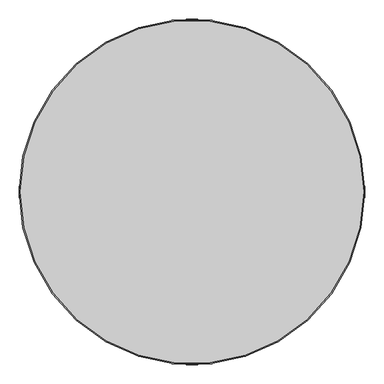
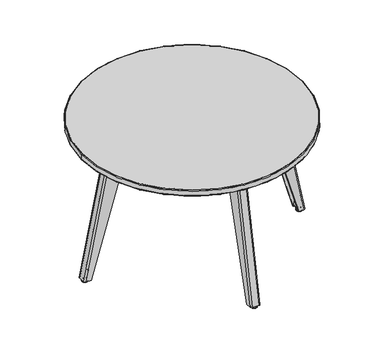
"""IFC4 building model written with IfcOpenShell, lengths in millimetres: furniture geometry."""

from ifc_helpers import new_model, si_unit, point, frame, frame_2d, origin, origin_2d, place, context, project, spatial, polyline, circle_curve, ellipse_curve, trimmed, segment, composite_curve, outline, extrude, source, transform, mapped, element, save
from ifc_brep_helpers import plane_surface, cylinder_surface, revolved_surface, extruded_surface, advanced_brep


def furniture_9483b368(model_context):
    return source(origin(), model_context, "Body", "SolidModel", [
        extrude(outline(composite_curve([segment(trimmed(circle_curve(frame_2d((-62.5, 361.0)), 10.0), [point((-72.5, 361.0))], [point((-62.5, 371.0))], False, "CARTESIAN"), True, "CONTINUOUS"), segment(polyline([(-62.5, 371.0), (62.5, 371.0)]), True, "CONTINUOUS"), segment(trimmed(circle_curve(frame_2d((62.5, 361.0)), 10.0), [point((62.5, 371.0))], [point((72.5, 361.0))], False, "CARTESIAN"), True, "CONTINUOUS"), segment(polyline([(72.5, 361.0), (72.5, 261.0)]), True, "CONTINUOUS"), segment(trimmed(circle_curve(frame_2d((62.5, 261.0)), 10.0), [point((72.5, 261.0))], [point((62.5, 251.0))], False, "CARTESIAN"), True, "CONTINUOUS"), segment(polyline([(62.5, 251.0), (40.6853513, 251.0)]), True, "CONTINUOUS"), segment(trimmed(circle_curve(frame_2d((40.6853513, 256.0)), 5.0), [point((40.6853513, 251.0))], [point((36.1538124, 253.8869087))], False, "CARTESIAN"), True, "CONTINUOUS"), segment(polyline([(36.1538124, 253.8869087), (31.8515728, 263.1130913)]), True, "CONTINUOUS"), segment(trimmed(circle_curve(frame_2d((27.3200338, 261.0)), 5.0), [point((31.8515728, 263.1130913))], [point((27.3200338, 266.0))], True, "CARTESIAN"), True, "CONTINUOUS"), segment(polyline([(27.3200338, 266.0), (-27.3200338, 266.0)]), True, "CONTINUOUS"), segment(trimmed(circle_curve(frame_2d((-27.3200338, 261.0)), 5.0), [point((-27.3200338, 266.0))], [point((-31.8515728, 263.1130913))], True, "CARTESIAN"), True, "CONTINUOUS"), segment(polyline([(-31.8515728, 263.1130913), (-36.1538124, 253.8869087)]), True, "CONTINUOUS"), segment(trimmed(circle_curve(frame_2d((-40.6853513, 256.0)), 5.0), [point((-36.1538124, 253.8869087))], [point((-40.6853513, 251.0))], False, "CARTESIAN"), True, "CONTINUOUS"), segment(polyline([(-40.6853513, 251.0), (-62.5, 251.0)]), True, "CONTINUOUS"), segment(trimmed(circle_curve(frame_2d((-62.5, 261.0)), 10.0), [point((-62.5, 251.0))], [point((-72.5, 261.0))], False, "CARTESIAN"), True, "CONTINUOUS"), segment(polyline([(-72.5, 261.0), (-72.5, 361.0)]), True, "CONTINUOUS")], self_intersect=False)), frame((0.0, 0.0, 521.0), z_axis=(0.0, 0.0, 1.0), x_axis=(1.0, 0.0, 0.0)), (0.0, 0.0, 1.0), 4.0),
        extrude(outline(composite_curve([segment(polyline([(442.0, 13.0), (425.0, 13.0)]), True, "CONTINUOUS"), segment(trimmed(circle_curve(frame_2d((425.0, 16.0)), 3.0), [point((425.0, 13.0))], [point((422.1022225, 16.7764571))], False, "CARTESIAN"), True, "CONTINUOUS"), segment(polyline([(422.1022225, 16.7764571), (432.4938034, 55.558365)]), True, "CONTINUOUS"), segment(trimmed(circle_curve(frame_2d((433.2182478, 55.3642507)), 0.75), [point((432.4938034, 55.558365))], [point((433.9426922, 55.1701365))], False, "CARTESIAN"), True, "CONTINUOUS"), segment(polyline([(433.9426922, 55.1701365), (423.5511113, 16.3882286)]), True, "CONTINUOUS"), segment(trimmed(circle_curve(frame_2d((425.0, 16.0)), 1.5), [point((423.5511113, 16.3882286))], [point((425.0, 14.5))], True, "CARTESIAN"), True, "CONTINUOUS"), segment(polyline([(425.0, 14.5), (442.0, 14.5), (442.0, 13.0)]), True, "CONTINUOUS")], self_intersect=False)), frame((-17.0, 0.0, 0.0), z_axis=(1.0, 0.0, 0.0), x_axis=(0.0, 1.0, 0.0)), (0.0, 0.0, 1.0), 34.0),
        advanced_brep(
        [(0.0, 425.5017785, 0.0), (0.0, 424.0017785, 1.5), (0.0, 447.9982215, 1.5), (0.0, 446.4982215, 0.0), (0.0, 436.0, 0.0), (0.0, 429.3374699, 9.0), (0.0, 436.0, 9.0), (0.0, 442.6625301, 9.0), (0.0, 428.7488432, 7.9951859), (0.0, 443.2511568, 7.9951859), (0.0, 424.0017785, 7.9951859), (0.0, 447.9982215, 7.9951859)],
        [
            (0, 1, circle_curve(frame((0.0, 425.5017785, 1.5), z_axis=(-1.0, 0.0, 0.0), x_axis=(0.0, -1.0, 0.0)), 1.5)),
            (1, 2, circle_curve(frame((0.0, 436.0, 1.5), z_axis=(0.0, 0.0, -1.0), x_axis=(0.0, 1.0, 0.0)), 11.9982215)),
            (2, 3, circle_curve(frame((0.0, 446.4982215, 1.5), z_axis=(-1.0, 0.0, 0.0), x_axis=(0.0, 1.0, 0.0)), 1.5)),
            (3, 0, circle_curve(frame((0.0, 436.0, 0.0), z_axis=(0.0, 0.0, 1.0), x_axis=(0.0, 1.0, 0.0)), 10.4982215)),
            (2, 1, circle_curve(frame((0.0, 436.0, 1.5), z_axis=(0.0, 0.0, -1.0), x_axis=(0.0, 1.0, 0.0)), 11.9982215)),
            (0, 3, circle_curve(frame((0.0, 436.0, 0.0), z_axis=(0.0, 0.0, 1.0), x_axis=(0.0, 1.0, 0.0)), 10.4982215)),
            (4, 0),
            (3, 4),
            (5, 6),
            (6, 7),
            (7, 5, circle_curve(frame((0.0, 436.0, 9.0), z_axis=(0.0, 0.0, 1.0), x_axis=(0.0, 1.0, 0.0)), 6.6625301)),
            (5, 7, circle_curve(frame((0.0, 436.0, 9.0), z_axis=(0.0, 0.0, 1.0), x_axis=(0.0, 1.0, 0.0)), 6.6625301)),
            (8, 5),
            (7, 9),
            (9, 8, circle_curve(frame((0.0, 436.0, 7.9951859), z_axis=(0.0, 0.0, 1.0), x_axis=(0.0, 1.0, 0.0)), 7.2511568)),
            (8, 9, circle_curve(frame((0.0, 436.0, 7.9951859), z_axis=(0.0, 0.0, 1.0), x_axis=(0.0, 1.0, 0.0)), 7.2511568)),
            (10, 8),
            (9, 11),
            (11, 10, circle_curve(frame((0.0, 436.0, 7.9951859), z_axis=(0.0, 0.0, 1.0), x_axis=(0.0, 1.0, 0.0)), 11.9982215)),
            (10, 11, circle_curve(frame((0.0, 436.0, 7.9951859), z_axis=(0.0, 0.0, 1.0), x_axis=(0.0, 1.0, 0.0)), 11.9982215)),
            (1, 10),
            (11, 2),
        ],
        [
            revolved_surface(trimmed(ellipse_curve(frame((0.0, 446.4982215, 1.5), z_axis=(-1.0, 0.0, 0.0), x_axis=(0.0, 1.0, 0.0)), 1.5, 1.5), [point((0.0, 447.9982215, 1.5))], [point((0.0, 446.4982215, 0.0))], True, "CARTESIAN"), (0.0, 436.0, 11.0821698), (0.0, 0.0, -1.0)),
            plane_surface(frame((0.0, 436.0, 0.0), z_axis=(0.0, 0.0, -1.0), x_axis=(0.0, 1.0, 0.0))),
            plane_surface(frame((0.0, 436.0, 9.0), z_axis=(0.0, 0.0, 1.0), x_axis=(0.0, 1.0, 0.0))),
            revolved_surface(polyline([(0.0, 442.6625301, 9.0), (0.0, 443.2511568, 7.9951859)]), (0.0, 436.0, 11.0821698), (0.0, 0.0, -1.0)),
            plane_surface(frame((0.0, 436.0, 7.9951859), z_axis=(0.0, 0.0, 1.0), x_axis=(0.0, 1.0, 0.0))),
            cylinder_surface(frame((0.0, 436.0, 11.0821698), z_axis=(0.0, 0.0, -1.0), x_axis=(0.0, 1.0, 0.0)), 11.9982215),
        ],
        [
            (0, [[1, 2, 3, 4]]),
            (0, [[-3, 5, -1, 6]]),
            (1, [[7, -4, 8]]),
            (1, [[-8, -6, -7]]),
            (2, [[9, 10, 11]]),
            (2, [[-10, -9, 12]]),
            (3, [[13, -11, 14, 15]]),
            (3, [[-14, -12, -13, 16]]),
            (4, [[17, -15, 18, 19]]),
            (4, [[-18, -16, -17, 20]]),
            (5, [[21, -19, 22, -2]]),
            (5, [[-22, -20, -21, -5]]),
        ],
    ),
        advanced_brep(
        [(-12.0, 348.0, 521.0), (-20.0, 340.0, 521.0), (-20.0, 272.0, 521.0), (-17.0, 272.0, 521.0), (-17.0, 340.0, 521.0), (-12.0, 345.0, 521.0), (12.0, 345.0, 521.0), (17.0, 340.0, 521.0), (17.0, 272.0, 521.0), (20.0, 272.0, 521.0), (20.0, 340.0, 521.0), (12.0, 348.0, 521.0), (-12.0, 450.0, 9.0), (12.0, 450.0, 9.0), (20.0, 442.0, 9.0), (20.0, 422.0, 9.0), (17.0, 422.0, 9.0), (17.0, 442.0, 9.0), (12.0, 447.0, 9.0), (-12.0, 447.0, 9.0), (-17.0, 442.0, 9.0), (-17.0, 422.0, 9.0), (-20.0, 422.0, 9.0), (-20.0, 442.0, 9.0)],
        [
            (0, 1, circle_curve(frame((-12.0, 340.0, 521.0), z_axis=(0.0, 0.0, 1.0), x_axis=(1.0, 0.0, 0.0)), 8.0)),
            (1, 2),
            (2, 3),
            (3, 4),
            (4, 5, circle_curve(frame((-12.0, 340.0, 521.0), z_axis=(0.0, 0.0, -1.0), x_axis=(1.0, 0.0, 0.0)), 5.0)),
            (5, 6),
            (6, 7, circle_curve(frame((12.0, 340.0, 521.0), z_axis=(0.0, 0.0, -1.0), x_axis=(1.0, 0.0, 0.0)), 5.0)),
            (7, 8),
            (8, 9),
            (9, 10),
            (10, 11, circle_curve(frame((12.0, 340.0, 521.0), z_axis=(0.0, 0.0, 1.0), x_axis=(1.0, 0.0, 0.0)), 8.0)),
            (11, 0),
            (12, 13),
            (13, 14, circle_curve(frame((12.0, 442.0, 9.0), z_axis=(0.0, 0.0, -1.0), x_axis=(1.0, 0.0, 0.0)), 8.0)),
            (14, 15),
            (15, 16),
            (16, 17),
            (17, 18, circle_curve(frame((12.0, 442.0, 9.0), z_axis=(0.0, 0.0, 1.0), x_axis=(1.0, 0.0, 0.0)), 5.0)),
            (18, 19),
            (19, 20, circle_curve(frame((-12.0, 442.0, 9.0), z_axis=(0.0, 0.0, 1.0), x_axis=(1.0, 0.0, 0.0)), 5.0)),
            (20, 21),
            (21, 22),
            (22, 23),
            (23, 12, circle_curve(frame((-12.0, 442.0, 9.0), z_axis=(0.0, 0.0, -1.0), x_axis=(1.0, 0.0, 0.0)), 8.0)),
            (12, 0),
            (11, 13),
            (10, 14),
            (9, 15),
            (8, 16),
            (7, 17),
            (6, 18),
            (5, 19),
            (4, 20),
            (3, 21),
            (2, 22),
            (1, 23),
        ],
        [
            plane_surface(frame((0.0, 319.5, 521.0), z_axis=(0.0, 0.0, 1.0), x_axis=(1.0, 0.0, 0.0))),
            plane_surface(frame((0.0, 437.5, 9.0), z_axis=(0.0, 0.0, -1.0), x_axis=(1.0, 0.0, 0.0))),
            plane_surface(frame((0.0, 450.0, 9.0), z_axis=(0.0, 0.980727743848363, 0.19537935521978728), x_axis=(1.0, 0.0, 0.0))),
            extruded_surface(trimmed(circle_curve(frame((12.0, 340.0, 521.0), z_axis=(0.0, 0.0, -1.0), x_axis=(1.0, 0.0, 0.0)), 8.0), [point((12.0, 348.0, 521.0))], [point((20.0, 340.0, 521.0))], True, "CARTESIAN"), (0.0, 102.0, -512.0), 522.0612990827801),
            plane_surface(frame((20.0, 432.0, 9.0), z_axis=(1.0, 0.0, 0.0), x_axis=(0.0, -1.0, 0.0))),
            plane_surface(frame((18.5, 422.0, 9.0), z_axis=(0.0, -0.9596634270848472, -0.2811513946537813), x_axis=(-1.0, 0.0, 0.0))),
            plane_surface(frame((17.0, 432.0, 9.0), z_axis=(-1.0, 0.0, 0.0), x_axis=(0.0, 1.0, 0.0))),
            extruded_surface(trimmed(circle_curve(frame((12.0, 340.0, 521.0), z_axis=(0.0, 0.0, 1.0), x_axis=(1.0, 0.0, 0.0)), 5.0), [point((17.0, 340.0, 521.0))], [point((12.0, 345.0, 521.0))], True, "CARTESIAN"), (0.0, 102.0, -512.0), 522.0612990827801),
            plane_surface(frame((0.0, 447.0, 9.0), z_axis=(0.0, -0.980727743848363, -0.19537935521978728), x_axis=(-1.0, 0.0, 0.0))),
            extruded_surface(trimmed(circle_curve(frame((-12.0, 340.0, 521.0), z_axis=(0.0, 0.0, 1.0), x_axis=(1.0, 0.0, 0.0)), 5.0), [point((-12.0, 345.0, 521.0))], [point((-17.0, 340.0, 521.0))], True, "CARTESIAN"), (0.0, 102.0, -512.0), 522.0612990827801),
            plane_surface(frame((-17.0, 432.0, 9.0), z_axis=(1.0, 0.0, 0.0), x_axis=(0.0, -1.0, 0.0))),
            plane_surface(frame((-18.5, 422.0, 9.0), z_axis=(0.0, -0.9596634270848472, -0.2811513946537813), x_axis=(-1.0, 0.0, 0.0))),
            plane_surface(frame((-20.0, 432.0, 9.0), z_axis=(-1.0, 0.0, 0.0), x_axis=(0.0, 1.0, 0.0))),
            extruded_surface(trimmed(circle_curve(frame((-12.0, 340.0, 521.0), z_axis=(0.0, 0.0, -1.0), x_axis=(1.0, 0.0, 0.0)), 8.0), [point((-20.0, 340.0, 521.0))], [point((-12.0, 348.0, 521.0))], True, "CARTESIAN"), (0.0, 102.0, -512.0), 522.0612990827801),
        ],
        [
            (0, [[1, 2, 3, 4, 5, 6, 7, 8, 9, 10, 11, 12]]),
            (1, [[13, 14, 15, 16, 17, 18, 19, 20, 21, 22, 23, 24]]),
            (2, [[25, -12, 26, -13]]),
            (3, [[-26, -11, 27, -14]]),
            (4, [[-27, -10, 28, -15]]),
            (5, [[-28, -9, 29, -16]]),
            (6, [[-29, -8, 30, -17]]),
            (7, [[-30, -7, 31, -18]]),
            (8, [[-31, -6, 32, -19]]),
            (9, [[-32, -5, 33, -20]]),
            (10, [[-33, -4, 34, -21]]),
            (11, [[-34, -3, 35, -22]]),
            (12, [[-35, -2, 36, -23]]),
            (13, [[-36, -1, -25, -24]]),
        ],
    ),
        extrude(outline(composite_curve([segment(trimmed(circle_curve(frame_2d((-361.0, -62.5)), 10.0), [point((-361.0, -72.5))], [point((-371.0, -62.5))], False, "CARTESIAN"), True, "CONTINUOUS"), segment(polyline([(-371.0, -62.5), (-371.0, 62.5)]), True, "CONTINUOUS"), segment(trimmed(circle_curve(frame_2d((-361.0, 62.5)), 10.0), [point((-371.0, 62.5))], [point((-361.0, 72.5))], False, "CARTESIAN"), True, "CONTINUOUS"), segment(polyline([(-361.0, 72.5), (-261.0, 72.5)]), True, "CONTINUOUS"), segment(trimmed(circle_curve(frame_2d((-261.0, 62.5)), 10.0), [point((-261.0, 72.5))], [point((-251.0, 62.5))], False, "CARTESIAN"), True, "CONTINUOUS"), segment(polyline([(-251.0, 62.5), (-251.0, 40.6853513)]), True, "CONTINUOUS"), segment(trimmed(circle_curve(frame_2d((-256.0, 40.6853513)), 5.0), [point((-251.0, 40.6853513))], [point((-253.8869087, 36.1538124))], False, "CARTESIAN"), True, "CONTINUOUS"), segment(polyline([(-253.8869087, 36.1538124), (-263.1130913, 31.8515728)]), True, "CONTINUOUS"), segment(trimmed(circle_curve(frame_2d((-261.0, 27.3200338)), 5.0), [point((-263.1130913, 31.8515728))], [point((-266.0, 27.3200338))], True, "CARTESIAN"), True, "CONTINUOUS"), segment(polyline([(-266.0, 27.3200338), (-266.0, -27.3200338)]), True, "CONTINUOUS"), segment(trimmed(circle_curve(frame_2d((-261.0, -27.3200338)), 5.0), [point((-266.0, -27.3200338))], [point((-263.1130913, -31.8515728))], True, "CARTESIAN"), True, "CONTINUOUS"), segment(polyline([(-263.1130913, -31.8515728), (-253.8869087, -36.1538124)]), True, "CONTINUOUS"), segment(trimmed(circle_curve(frame_2d((-256.0, -40.6853513)), 5.0), [point((-253.8869087, -36.1538124))], [point((-251.0, -40.6853513))], False, "CARTESIAN"), True, "CONTINUOUS"), segment(polyline([(-251.0, -40.6853513), (-251.0, -62.5)]), True, "CONTINUOUS"), segment(trimmed(circle_curve(frame_2d((-261.0, -62.5)), 10.0), [point((-251.0, -62.5))], [point((-261.0, -72.5))], False, "CARTESIAN"), True, "CONTINUOUS"), segment(polyline([(-261.0, -72.5), (-361.0, -72.5)]), True, "CONTINUOUS")], self_intersect=False)), frame((0.0, 0.0, 521.0), z_axis=(0.0, 0.0, 1.0), x_axis=(1.0, 0.0, 0.0)), (0.0, 0.0, 1.0), 4.0),
        extrude(outline(composite_curve([segment(polyline([(13.0, -442.0), (13.0, -425.0)]), True, "CONTINUOUS"), segment(trimmed(circle_curve(frame_2d((16.0, -425.0)), 3.0), [point((13.0, -425.0))], [point((16.7764571, -422.1022225))], False, "CARTESIAN"), True, "CONTINUOUS"), segment(polyline([(16.7764571, -422.1022225), (55.558365, -432.4938034)]), True, "CONTINUOUS"), segment(trimmed(circle_curve(frame_2d((55.3642507, -433.2182478)), 0.75), [point((55.558365, -432.4938034))], [point((55.1701365, -433.9426922))], False, "CARTESIAN"), True, "CONTINUOUS"), segment(polyline([(55.1701365, -433.9426922), (16.3882286, -423.5511113)]), True, "CONTINUOUS"), segment(trimmed(circle_curve(frame_2d((16.0, -425.0)), 1.5), [point((16.3882286, -423.5511113))], [point((14.5, -425.0))], True, "CARTESIAN"), True, "CONTINUOUS"), segment(polyline([(14.5, -425.0), (14.5, -442.0), (13.0, -442.0)]), True, "CONTINUOUS")], self_intersect=False)), frame((0.0, -17.0, 0.0), z_axis=(0.0, 1.0, 0.0), x_axis=(0.0, 0.0, 1.0)), (0.0, 0.0, 1.0), 34.0),
        advanced_brep(
        [(-425.5017785, 0.0, 0.0), (-424.0017785, 0.0, 1.5), (-447.9982215, 0.0, 1.5), (-446.4982215, 0.0, 0.0), (-436.0, 0.0, 0.0), (-429.3374699, 0.0, 9.0), (-436.0, 0.0, 9.0), (-442.6625301, 0.0, 9.0), (-428.7488432, 0.0, 7.9951859), (-443.2511568, 0.0, 7.9951859), (-424.0017785, 0.0, 7.9951859), (-447.9982215, 0.0, 7.9951859)],
        [
            (0, 1, circle_curve(frame((-425.5017785, 0.0, 1.5), z_axis=(0.0, -1.0, 0.0), x_axis=(1.0, 0.0, 0.0)), 1.5)),
            (1, 2, circle_curve(frame((-436.0, 0.0, 1.5), z_axis=(0.0, 0.0, -1.0), x_axis=(-1.0, 0.0, 0.0)), 11.9982215)),
            (2, 3, circle_curve(frame((-446.4982215, 0.0, 1.5), z_axis=(0.0, -1.0, 0.0), x_axis=(-1.0, 0.0, 0.0)), 1.5)),
            (3, 0, circle_curve(frame((-436.0, 0.0, 0.0), z_axis=(0.0, 0.0, 1.0), x_axis=(-1.0, 0.0, 0.0)), 10.4982215)),
            (2, 1, circle_curve(frame((-436.0, 0.0, 1.5), z_axis=(0.0, 0.0, -1.0), x_axis=(-1.0, 0.0, 0.0)), 11.9982215)),
            (0, 3, circle_curve(frame((-436.0, 0.0, 0.0), z_axis=(0.0, 0.0, 1.0), x_axis=(-1.0, 0.0, 0.0)), 10.4982215)),
            (4, 0),
            (3, 4),
            (5, 6),
            (6, 7),
            (7, 5, circle_curve(frame((-436.0, 0.0, 9.0), z_axis=(0.0, 0.0, 1.0), x_axis=(-1.0, 0.0, 0.0)), 6.6625301)),
            (5, 7, circle_curve(frame((-436.0, 0.0, 9.0), z_axis=(0.0, 0.0, 1.0), x_axis=(-1.0, 0.0, 0.0)), 6.6625301)),
            (8, 5),
            (7, 9),
            (9, 8, circle_curve(frame((-436.0, 0.0, 7.9951859), z_axis=(0.0, 0.0, 1.0), x_axis=(-1.0, 0.0, 0.0)), 7.2511568)),
            (8, 9, circle_curve(frame((-436.0, 0.0, 7.9951859), z_axis=(0.0, 0.0, 1.0), x_axis=(-1.0, 0.0, 0.0)), 7.2511568)),
            (10, 8),
            (9, 11),
            (11, 10, circle_curve(frame((-436.0, 0.0, 7.9951859), z_axis=(0.0, 0.0, 1.0), x_axis=(-1.0, 0.0, 0.0)), 11.9982215)),
            (10, 11, circle_curve(frame((-436.0, 0.0, 7.9951859), z_axis=(0.0, 0.0, 1.0), x_axis=(-1.0, 0.0, 0.0)), 11.9982215)),
            (1, 10),
            (11, 2),
        ],
        [
            revolved_surface(trimmed(ellipse_curve(frame((-446.4982215, 0.0, 1.5), z_axis=(0.0, -1.0, 0.0), x_axis=(-1.0, 0.0, 0.0)), 1.5, 1.5), [point((-447.9982215, 0.0, 1.5))], [point((-446.4982215, 0.0, 0.0))], True, "CARTESIAN"), (-436.0, 0.0, 11.0821698), (0.0, 0.0, -1.0)),
            plane_surface(frame((-436.0, 0.0, 0.0), z_axis=(0.0, 0.0, -1.0), x_axis=(-1.0, 0.0, 0.0))),
            plane_surface(frame((-436.0, 0.0, 9.0), z_axis=(0.0, 0.0, 1.0), x_axis=(-1.0, 0.0, 0.0))),
            revolved_surface(polyline([(-442.6625301, 0.0, 9.0), (-443.2511568, 0.0, 7.9951859)]), (-436.0, 0.0, 11.0821698), (0.0, 0.0, -1.0)),
            plane_surface(frame((-436.0, 0.0, 7.9951859), z_axis=(0.0, 0.0, 1.0), x_axis=(-1.0, 0.0, 0.0))),
            cylinder_surface(frame((-436.0, 0.0, 11.0821698), z_axis=(0.0, 0.0, -1.0), x_axis=(-1.0, 0.0, 0.0)), 11.9982215),
        ],
        [
            (0, [[1, 2, 3, 4]]),
            (0, [[-3, 5, -1, 6]]),
            (1, [[7, -4, 8]]),
            (1, [[-8, -6, -7]]),
            (2, [[9, 10, 11]]),
            (2, [[-10, -9, 12]]),
            (3, [[13, -11, 14, 15]]),
            (3, [[-14, -12, -13, 16]]),
            (4, [[17, -15, 18, 19]]),
            (4, [[-18, -16, -17, 20]]),
            (5, [[21, -19, 22, -2]]),
            (5, [[-22, -20, -21, -5]]),
        ],
    ),
        advanced_brep(
        [(-348.0, -12.0, 521.0), (-340.0, -20.0, 521.0), (-272.0, -20.0, 521.0), (-272.0, -17.0, 521.0), (-340.0, -17.0, 521.0), (-345.0, -12.0, 521.0), (-345.0, 12.0, 521.0), (-340.0, 17.0, 521.0), (-272.0, 17.0, 521.0), (-272.0, 20.0, 521.0), (-340.0, 20.0, 521.0), (-348.0, 12.0, 521.0), (-450.0, -12.0, 9.0), (-450.0, 12.0, 9.0), (-442.0, 20.0, 9.0), (-422.0, 20.0, 9.0), (-422.0, 17.0, 9.0), (-442.0, 17.0, 9.0), (-447.0, 12.0, 9.0), (-447.0, -12.0, 9.0), (-442.0, -17.0, 9.0), (-422.0, -17.0, 9.0), (-422.0, -20.0, 9.0), (-442.0, -20.0, 9.0)],
        [
            (0, 1, circle_curve(frame((-340.0, -12.0, 521.0), z_axis=(0.0, 0.0, 1.0), x_axis=(0.0, 1.0, 0.0)), 8.0)),
            (1, 2),
            (2, 3),
            (3, 4),
            (4, 5, circle_curve(frame((-340.0, -12.0, 521.0), z_axis=(0.0, 0.0, -1.0), x_axis=(0.0, 1.0, 0.0)), 5.0)),
            (5, 6),
            (6, 7, circle_curve(frame((-340.0, 12.0, 521.0), z_axis=(0.0, 0.0, -1.0), x_axis=(0.0, 1.0, 0.0)), 5.0)),
            (7, 8),
            (8, 9),
            (9, 10),
            (10, 11, circle_curve(frame((-340.0, 12.0, 521.0), z_axis=(0.0, 0.0, 1.0), x_axis=(0.0, 1.0, 0.0)), 8.0)),
            (11, 0),
            (12, 13),
            (13, 14, circle_curve(frame((-442.0, 12.0, 9.0), z_axis=(0.0, 0.0, -1.0), x_axis=(0.0, 1.0, 0.0)), 8.0)),
            (14, 15),
            (15, 16),
            (16, 17),
            (17, 18, circle_curve(frame((-442.0, 12.0, 9.0), z_axis=(0.0, 0.0, 1.0), x_axis=(0.0, 1.0, 0.0)), 5.0)),
            (18, 19),
            (19, 20, circle_curve(frame((-442.0, -12.0, 9.0), z_axis=(0.0, 0.0, 1.0), x_axis=(0.0, 1.0, 0.0)), 5.0)),
            (20, 21),
            (21, 22),
            (22, 23),
            (23, 12, circle_curve(frame((-442.0, -12.0, 9.0), z_axis=(0.0, 0.0, -1.0), x_axis=(0.0, 1.0, 0.0)), 8.0)),
            (12, 0),
            (11, 13),
            (10, 14),
            (9, 15),
            (8, 16),
            (7, 17),
            (6, 18),
            (5, 19),
            (4, 20),
            (3, 21),
            (2, 22),
            (1, 23),
        ],
        [
            plane_surface(frame((-319.5, 0.0, 521.0), z_axis=(0.0, 0.0, 1.0), x_axis=(0.0, 1.0, 0.0))),
            plane_surface(frame((-437.5, 0.0, 9.0), z_axis=(0.0, 0.0, -1.0), x_axis=(0.0, 1.0, 0.0))),
            plane_surface(frame((-450.0, 0.0, 9.0), z_axis=(-0.980727743848363, 0.0, 0.19537935521978728), x_axis=(0.0, 1.0, 0.0))),
            extruded_surface(trimmed(circle_curve(frame((-340.0, 12.0, 521.0), z_axis=(0.0, 0.0, -1.0), x_axis=(0.0, 1.0, 0.0)), 8.0), [point((-348.0, 12.0, 521.0))], [point((-340.0, 20.0, 521.0))], True, "CARTESIAN"), (-102.0, 0.0, -512.0), 522.0612990827801),
            plane_surface(frame((-432.0, 20.0, 9.0), z_axis=(0.0, 1.0, 0.0), x_axis=(1.0, 0.0, 0.0))),
            plane_surface(frame((-422.0, 18.5, 9.0), z_axis=(0.9596634270848472, 0.0, -0.2811513946537813), x_axis=(0.0, -1.0, 0.0))),
            plane_surface(frame((-432.0, 17.0, 9.0), z_axis=(0.0, -1.0, 0.0), x_axis=(-1.0, 0.0, 0.0))),
            extruded_surface(trimmed(circle_curve(frame((-340.0, 12.0, 521.0), z_axis=(0.0, 0.0, 1.0), x_axis=(0.0, 1.0, 0.0)), 5.0), [point((-340.0, 17.0, 521.0))], [point((-345.0, 12.0, 521.0))], True, "CARTESIAN"), (-102.0, 0.0, -512.0), 522.0612990827801),
            plane_surface(frame((-447.0, 0.0, 9.0), z_axis=(0.980727743848363, 0.0, -0.19537935521978728), x_axis=(0.0, -1.0, 0.0))),
            extruded_surface(trimmed(circle_curve(frame((-340.0, -12.0, 521.0), z_axis=(0.0, 0.0, 1.0), x_axis=(0.0, 1.0, 0.0)), 5.0), [point((-345.0, -12.0, 521.0))], [point((-340.0, -17.0, 521.0))], True, "CARTESIAN"), (-102.0, 0.0, -512.0), 522.0612990827801),
            plane_surface(frame((-432.0, -17.0, 9.0), z_axis=(0.0, 1.0, 0.0), x_axis=(1.0, 0.0, 0.0))),
            plane_surface(frame((-422.0, -18.5, 9.0), z_axis=(0.9596634270848472, 0.0, -0.2811513946537813), x_axis=(0.0, -1.0, 0.0))),
            plane_surface(frame((-432.0, -20.0, 9.0), z_axis=(0.0, -1.0, 0.0), x_axis=(-1.0, 0.0, 0.0))),
            extruded_surface(trimmed(circle_curve(frame((-340.0, -12.0, 521.0), z_axis=(0.0, 0.0, -1.0), x_axis=(0.0, 1.0, 0.0)), 8.0), [point((-340.0, -20.0, 521.0))], [point((-348.0, -12.0, 521.0))], True, "CARTESIAN"), (-102.0, 0.0, -512.0), 522.0612990827801),
        ],
        [
            (0, [[1, 2, 3, 4, 5, 6, 7, 8, 9, 10, 11, 12]]),
            (1, [[13, 14, 15, 16, 17, 18, 19, 20, 21, 22, 23, 24]]),
            (2, [[25, -12, 26, -13]]),
            (3, [[-26, -11, 27, -14]]),
            (4, [[-27, -10, 28, -15]]),
            (5, [[-28, -9, 29, -16]]),
            (6, [[-29, -8, 30, -17]]),
            (7, [[-30, -7, 31, -18]]),
            (8, [[-31, -6, 32, -19]]),
            (9, [[-32, -5, 33, -20]]),
            (10, [[-33, -4, 34, -21]]),
            (11, [[-34, -3, 35, -22]]),
            (12, [[-35, -2, 36, -23]]),
            (13, [[-36, -1, -25, -24]]),
        ],
    ),
        extrude(outline(composite_curve([segment(polyline([(361.0, -72.5), (261.0, -72.5)]), True, "CONTINUOUS"), segment(trimmed(circle_curve(frame_2d((261.0, -62.5)), 10.0), [point((261.0, -72.5))], [point((251.0, -62.5))], False, "CARTESIAN"), True, "CONTINUOUS"), segment(polyline([(251.0, -62.5), (251.0, -40.6853513)]), True, "CONTINUOUS"), segment(trimmed(circle_curve(frame_2d((256.0, -40.6853513)), 5.0), [point((251.0, -40.6853513))], [point((253.8869087, -36.1538124))], False, "CARTESIAN"), True, "CONTINUOUS"), segment(polyline([(253.8869087, -36.1538124), (263.1130913, -31.8515728)]), True, "CONTINUOUS"), segment(trimmed(circle_curve(frame_2d((261.0, -27.3200338)), 5.0), [point((263.1130913, -31.8515728))], [point((266.0, -27.3200338))], True, "CARTESIAN"), True, "CONTINUOUS"), segment(polyline([(266.0, -27.3200338), (266.0, 27.3200338)]), True, "CONTINUOUS"), segment(trimmed(circle_curve(frame_2d((261.0, 27.3200338)), 5.0), [point((266.0, 27.3200338))], [point((263.1130913, 31.8515728))], True, "CARTESIAN"), True, "CONTINUOUS"), segment(polyline([(263.1130913, 31.8515728), (253.8869087, 36.1538124)]), True, "CONTINUOUS"), segment(trimmed(circle_curve(frame_2d((256.0, 40.6853513)), 5.0), [point((253.8869087, 36.1538124))], [point((251.0, 40.6853513))], False, "CARTESIAN"), True, "CONTINUOUS"), segment(polyline([(251.0, 40.6853513), (251.0, 62.5)]), True, "CONTINUOUS"), segment(trimmed(circle_curve(frame_2d((261.0, 62.5)), 10.0), [point((251.0, 62.5))], [point((261.0, 72.5))], False, "CARTESIAN"), True, "CONTINUOUS"), segment(polyline([(261.0, 72.5), (361.0, 72.5)]), True, "CONTINUOUS"), segment(trimmed(circle_curve(frame_2d((361.0, 62.5)), 10.0), [point((361.0, 72.5))], [point((371.0, 62.5))], False, "CARTESIAN"), True, "CONTINUOUS"), segment(polyline([(371.0, 62.5), (371.0, -62.5)]), True, "CONTINUOUS"), segment(trimmed(circle_curve(frame_2d((361.0, -62.5)), 10.0), [point((371.0, -62.5))], [point((361.0, -72.5))], False, "CARTESIAN"), True, "CONTINUOUS")], self_intersect=False)), frame((0.0, 0.0, 521.0), z_axis=(0.0, 0.0, 1.0), x_axis=(1.0, 0.0, 0.0)), (0.0, 0.0, 1.0), 4.0),
        extrude(outline(composite_curve([segment(polyline([(13.0, 442.0), (14.5, 442.0), (14.5, 425.0)]), True, "CONTINUOUS"), segment(trimmed(circle_curve(frame_2d((16.0, 425.0)), 1.5), [point((14.5, 425.0))], [point((16.3882286, 423.5511113))], True, "CARTESIAN"), True, "CONTINUOUS"), segment(polyline([(16.3882286, 423.5511113), (55.1701365, 433.9426922)]), True, "CONTINUOUS"), segment(trimmed(circle_curve(frame_2d((55.3642507, 433.2182478)), 0.75), [point((55.1701365, 433.9426922))], [point((55.558365, 432.4938034))], False, "CARTESIAN"), True, "CONTINUOUS"), segment(polyline([(55.558365, 432.4938034), (16.7764571, 422.1022225)]), True, "CONTINUOUS"), segment(trimmed(circle_curve(frame_2d((16.0, 425.0)), 3.0), [point((16.7764571, 422.1022225))], [point((13.0, 425.0))], False, "CARTESIAN"), True, "CONTINUOUS"), segment(polyline([(13.0, 425.0), (13.0, 442.0)]), True, "CONTINUOUS")], self_intersect=False)), frame((0.0, -17.0, 0.0), z_axis=(0.0, 1.0, 0.0), x_axis=(0.0, 0.0, 1.0)), (0.0, 0.0, 1.0), 34.0),
        advanced_brep(
        [(425.5017785, 0.0, 0.0), (446.4982215, 0.0, 0.0), (447.9982215, 0.0, 1.5), (424.0017785, 0.0, 1.5), (436.0, 0.0, 0.0), (429.3374699, 0.0, 9.0), (442.6625301, 0.0, 9.0), (436.0, 0.0, 9.0), (428.7488432, 0.0, 7.9951859), (443.2511568, 0.0, 7.9951859), (424.0017785, 0.0, 7.9951859), (447.9982215, 0.0, 7.9951859)],
        [
            (0, 1, circle_curve(frame((436.0, 0.0, 0.0), z_axis=(0.0, 0.0, 1.0), x_axis=(1.0, 0.0, 0.0)), 10.4982215)),
            (1, 2, circle_curve(frame((446.4982215, 0.0, 1.5), z_axis=(0.0, -1.0, 0.0), x_axis=(1.0, 0.0, 0.0)), 1.5)),
            (2, 3, circle_curve(frame((436.0, 0.0, 1.5), z_axis=(0.0, 0.0, -1.0), x_axis=(1.0, 0.0, 0.0)), 11.9982215)),
            (3, 0, circle_curve(frame((425.5017785, 0.0, 1.5), z_axis=(0.0, -1.0, 0.0), x_axis=(-1.0, 0.0, 0.0)), 1.5)),
            (1, 0, circle_curve(frame((436.0, 0.0, 0.0), z_axis=(0.0, 0.0, 1.0), x_axis=(1.0, 0.0, 0.0)), 10.4982215)),
            (3, 2, circle_curve(frame((436.0, 0.0, 1.5), z_axis=(0.0, 0.0, -1.0), x_axis=(1.0, 0.0, 0.0)), 11.9982215)),
            (4, 1),
            (0, 4),
            (5, 6, circle_curve(frame((436.0, 0.0, 9.0), z_axis=(0.0, 0.0, 1.0), x_axis=(1.0, 0.0, 0.0)), 6.6625301)),
            (6, 7),
            (7, 5),
            (6, 5, circle_curve(frame((436.0, 0.0, 9.0), z_axis=(0.0, 0.0, 1.0), x_axis=(1.0, 0.0, 0.0)), 6.6625301)),
            (8, 9, circle_curve(frame((436.0, 0.0, 7.9951859), z_axis=(0.0, 0.0, 1.0), x_axis=(1.0, 0.0, 0.0)), 7.2511568)),
            (9, 6),
            (5, 8),
            (9, 8, circle_curve(frame((436.0, 0.0, 7.9951859), z_axis=(0.0, 0.0, 1.0), x_axis=(1.0, 0.0, 0.0)), 7.2511568)),
            (10, 11, circle_curve(frame((436.0, 0.0, 7.9951859), z_axis=(0.0, 0.0, 1.0), x_axis=(1.0, 0.0, 0.0)), 11.9982215)),
            (11, 9),
            (8, 10),
            (11, 10, circle_curve(frame((436.0, 0.0, 7.9951859), z_axis=(0.0, 0.0, 1.0), x_axis=(1.0, 0.0, 0.0)), 11.9982215)),
            (2, 11),
            (10, 3),
        ],
        [
            revolved_surface(trimmed(ellipse_curve(frame((446.4982215, 0.0, 1.5), z_axis=(0.0, 1.0, 0.0), x_axis=(1.0, 0.0, 0.0)), 1.5, 1.5), [point((447.9982215, 0.0, 1.5))], [point((446.4982215, 0.0, 0.0))], True, "CARTESIAN"), (436.0, 0.0, 11.0821698), (0.0, 0.0, -1.0)),
            plane_surface(frame((436.0, 0.0, 0.0), z_axis=(0.0, 0.0, -1.0), x_axis=(1.0, 0.0, 0.0))),
            plane_surface(frame((436.0, 0.0, 9.0), z_axis=(0.0, 0.0, 1.0), x_axis=(1.0, 0.0, 0.0))),
            revolved_surface(polyline([(442.6625301, 0.0, 9.0), (443.2511568, 0.0, 7.9951859)]), (436.0, 0.0, 11.0821698), (0.0, 0.0, -1.0)),
            plane_surface(frame((436.0, 0.0, 7.9951859), z_axis=(0.0, 0.0, 1.0), x_axis=(1.0, 0.0, 0.0))),
            cylinder_surface(frame((436.0, 0.0, 11.0821698), z_axis=(0.0, 0.0, -1.0), x_axis=(1.0, 0.0, 0.0)), 11.9982215),
        ],
        [
            (0, [[1, 2, 3, 4]]),
            (0, [[5, -4, 6, -2]]),
            (1, [[7, -1, 8]]),
            (1, [[-8, -5, -7]]),
            (2, [[9, 10, 11]]),
            (2, [[12, -11, -10]]),
            (3, [[13, 14, -9, 15]]),
            (3, [[16, -15, -12, -14]]),
            (4, [[17, 18, -13, 19]]),
            (4, [[20, -19, -16, -18]]),
            (5, [[-3, 21, -17, 22]]),
            (5, [[-6, -22, -20, -21]]),
        ],
    ),
        advanced_brep(
        [(348.0, -12.0, 521.0), (348.0, 12.0, 521.0), (340.0, 20.0, 521.0), (272.0, 20.0, 521.0), (272.0, 17.0, 521.0), (340.0, 17.0, 521.0), (345.0, 12.0, 521.0), (345.0, -12.0, 521.0), (340.0, -17.0, 521.0), (272.0, -17.0, 521.0), (272.0, -20.0, 521.0), (340.0, -20.0, 521.0), (450.0, -12.0, 9.0), (442.0, -20.0, 9.0), (422.0, -20.0, 9.0), (422.0, -17.0, 9.0), (442.0, -17.0, 9.0), (447.0, -12.0, 9.0), (447.0, 12.0, 9.0), (442.0, 17.0, 9.0), (422.0, 17.0, 9.0), (422.0, 20.0, 9.0), (442.0, 20.0, 9.0), (450.0, 12.0, 9.0)],
        [
            (0, 1),
            (1, 2, circle_curve(frame((340.0, 12.0, 521.0), z_axis=(0.0, 0.0, 1.0), x_axis=(0.0, 1.0, 0.0)), 8.0)),
            (2, 3),
            (3, 4),
            (4, 5),
            (5, 6, circle_curve(frame((340.0, 12.0, 521.0), z_axis=(0.0, 0.0, -1.0), x_axis=(0.0, 1.0, 0.0)), 5.0)),
            (6, 7),
            (7, 8, circle_curve(frame((340.0, -12.0, 521.0), z_axis=(0.0, 0.0, -1.0), x_axis=(0.0, 1.0, 0.0)), 5.0)),
            (8, 9),
            (9, 10),
            (10, 11),
            (11, 0, circle_curve(frame((340.0, -12.0, 521.0), z_axis=(0.0, 0.0, 1.0), x_axis=(0.0, 1.0, 0.0)), 8.0)),
            (12, 13, circle_curve(frame((442.0, -12.0, 9.0), z_axis=(0.0, 0.0, -1.0), x_axis=(0.0, 1.0, 0.0)), 8.0)),
            (13, 14),
            (14, 15),
            (15, 16),
            (16, 17, circle_curve(frame((442.0, -12.0, 9.0), z_axis=(0.0, 0.0, 1.0), x_axis=(0.0, 1.0, 0.0)), 5.0)),
            (17, 18),
            (18, 19, circle_curve(frame((442.0, 12.0, 9.0), z_axis=(0.0, 0.0, 1.0), x_axis=(0.0, 1.0, 0.0)), 5.0)),
            (19, 20),
            (20, 21),
            (21, 22),
            (22, 23, circle_curve(frame((442.0, 12.0, 9.0), z_axis=(0.0, 0.0, -1.0), x_axis=(0.0, 1.0, 0.0)), 8.0)),
            (23, 12),
            (23, 1),
            (0, 12),
            (22, 2),
            (21, 3),
            (20, 4),
            (19, 5),
            (18, 6),
            (17, 7),
            (16, 8),
            (15, 9),
            (14, 10),
            (13, 11),
        ],
        [
            plane_surface(frame((319.5, 0.0, 521.0), z_axis=(0.0, 0.0, 1.0), x_axis=(0.0, 1.0, 0.0))),
            plane_surface(frame((437.5, 0.0, 9.0), z_axis=(0.0, 0.0, -1.0), x_axis=(0.0, 1.0, 0.0))),
            plane_surface(frame((450.0, 0.0, 9.0), z_axis=(0.980727743848363, 0.0, 0.19537935521978728), x_axis=(0.0, 1.0, 0.0))),
            extruded_surface(trimmed(circle_curve(frame((442.0, 12.0, 9.0), z_axis=(0.0, 0.0, 1.0), x_axis=(0.0, 1.0, 0.0)), 8.0), [point((450.0, 12.0, 9.0))], [point((442.0, 20.0, 9.0))], True, "CARTESIAN"), (-102.0, 0.0, 512.0), 522.0612990827801),
            plane_surface(frame((432.0, 20.0, 9.0), z_axis=(0.0, 1.0, 0.0), x_axis=(-1.0, 0.0, 0.0))),
            plane_surface(frame((422.0, 18.5, 9.0), z_axis=(-0.9596634270848472, 0.0, -0.2811513946537813), x_axis=(0.0, -1.0, 0.0))),
            plane_surface(frame((432.0, 17.0, 9.0), z_axis=(0.0, -1.0, 0.0), x_axis=(1.0, 0.0, 0.0))),
            extruded_surface(trimmed(circle_curve(frame((442.0, 12.0, 9.0), z_axis=(0.0, 0.0, -1.0), x_axis=(0.0, 1.0, 0.0)), 5.0), [point((442.0, 17.0, 9.0))], [point((447.0, 12.0, 9.0))], True, "CARTESIAN"), (-102.0, 0.0, 512.0), 522.0612990827801),
            plane_surface(frame((447.0, 0.0, 9.0), z_axis=(-0.980727743848363, 0.0, -0.19537935521978728), x_axis=(0.0, -1.0, 0.0))),
            extruded_surface(trimmed(circle_curve(frame((442.0, -12.0, 9.0), z_axis=(0.0, 0.0, -1.0), x_axis=(0.0, 1.0, 0.0)), 5.0), [point((447.0, -12.0, 9.0))], [point((442.0, -17.0, 9.0))], True, "CARTESIAN"), (-102.0, 0.0, 512.0), 522.0612990827801),
            plane_surface(frame((432.0, -17.0, 9.0), z_axis=(0.0, 1.0, 0.0), x_axis=(-1.0, 0.0, 0.0))),
            plane_surface(frame((422.0, -18.5, 9.0), z_axis=(-0.9596634270848472, 0.0, -0.2811513946537813), x_axis=(0.0, -1.0, 0.0))),
            plane_surface(frame((432.0, -20.0, 9.0), z_axis=(0.0, -1.0, 0.0), x_axis=(1.0, 0.0, 0.0))),
            extruded_surface(trimmed(circle_curve(frame((442.0, -12.0, 9.0), z_axis=(0.0, 0.0, 1.0), x_axis=(0.0, 1.0, 0.0)), 8.0), [point((442.0, -20.0, 9.0))], [point((450.0, -12.0, 9.0))], True, "CARTESIAN"), (-102.0, 0.0, 512.0), 522.0612990827801),
        ],
        [
            (0, [[1, 2, 3, 4, 5, 6, 7, 8, 9, 10, 11, 12]]),
            (1, [[13, 14, 15, 16, 17, 18, 19, 20, 21, 22, 23, 24]]),
            (2, [[-24, 25, -1, 26]]),
            (3, [[-23, 27, -2, -25]]),
            (4, [[-22, 28, -3, -27]]),
            (5, [[-21, 29, -4, -28]]),
            (6, [[-20, 30, -5, -29]]),
            (7, [[-19, 31, -6, -30]]),
            (8, [[-18, 32, -7, -31]]),
            (9, [[-17, 33, -8, -32]]),
            (10, [[-16, 34, -9, -33]]),
            (11, [[-15, 35, -10, -34]]),
            (12, [[-14, 36, -11, -35]]),
            (13, [[-13, -26, -12, -36]]),
        ],
    ),
        extrude(outline(composite_curve([segment(polyline([(-72.5, -361.0), (-72.5, -261.0)]), True, "CONTINUOUS"), segment(trimmed(circle_curve(frame_2d((-62.5, -261.0)), 10.0), [point((-72.5, -261.0))], [point((-62.5, -251.0))], False, "CARTESIAN"), True, "CONTINUOUS"), segment(polyline([(-62.5, -251.0), (-40.6853513, -251.0)]), True, "CONTINUOUS"), segment(trimmed(circle_curve(frame_2d((-40.6853513, -256.0)), 5.0), [point((-40.6853513, -251.0))], [point((-36.1538124, -253.8869087))], False, "CARTESIAN"), True, "CONTINUOUS"), segment(polyline([(-36.1538124, -253.8869087), (-31.8515728, -263.1130913)]), True, "CONTINUOUS"), segment(trimmed(circle_curve(frame_2d((-27.3200338, -261.0)), 5.0), [point((-31.8515728, -263.1130913))], [point((-27.3200338, -266.0))], True, "CARTESIAN"), True, "CONTINUOUS"), segment(polyline([(-27.3200338, -266.0), (27.3200338, -266.0)]), True, "CONTINUOUS"), segment(trimmed(circle_curve(frame_2d((27.3200338, -261.0)), 5.0), [point((27.3200338, -266.0))], [point((31.8515728, -263.1130913))], True, "CARTESIAN"), True, "CONTINUOUS"), segment(polyline([(31.8515728, -263.1130913), (36.1538124, -253.8869087)]), True, "CONTINUOUS"), segment(trimmed(circle_curve(frame_2d((40.6853513, -256.0)), 5.0), [point((36.1538124, -253.8869087))], [point((40.6853513, -251.0))], False, "CARTESIAN"), True, "CONTINUOUS"), segment(polyline([(40.6853513, -251.0), (62.5, -251.0)]), True, "CONTINUOUS"), segment(trimmed(circle_curve(frame_2d((62.5, -261.0)), 10.0), [point((62.5, -251.0))], [point((72.5, -261.0))], False, "CARTESIAN"), True, "CONTINUOUS"), segment(polyline([(72.5, -261.0), (72.5, -361.0)]), True, "CONTINUOUS"), segment(trimmed(circle_curve(frame_2d((62.5, -361.0)), 10.0), [point((72.5, -361.0))], [point((62.5, -371.0))], False, "CARTESIAN"), True, "CONTINUOUS"), segment(polyline([(62.5, -371.0), (-62.5, -371.0)]), True, "CONTINUOUS"), segment(trimmed(circle_curve(frame_2d((-62.5, -361.0)), 10.0), [point((-62.5, -371.0))], [point((-72.5, -361.0))], False, "CARTESIAN"), True, "CONTINUOUS")], self_intersect=False)), frame((0.0, 0.0, 521.0), z_axis=(0.0, 0.0, 1.0), x_axis=(1.0, 0.0, 0.0)), (0.0, 0.0, 1.0), 4.0),
        extrude(outline(composite_curve([segment(polyline([(-442.0, 13.0), (-442.0, 14.5), (-425.0, 14.5)]), True, "CONTINUOUS"), segment(trimmed(circle_curve(frame_2d((-425.0, 16.0)), 1.5), [point((-425.0, 14.5))], [point((-423.5511113, 16.3882286))], True, "CARTESIAN"), True, "CONTINUOUS"), segment(polyline([(-423.5511113, 16.3882286), (-433.9426922, 55.1701365)]), True, "CONTINUOUS"), segment(trimmed(circle_curve(frame_2d((-433.2182478, 55.3642507)), 0.75), [point((-433.9426922, 55.1701365))], [point((-432.4938034, 55.558365))], False, "CARTESIAN"), True, "CONTINUOUS"), segment(polyline([(-432.4938034, 55.558365), (-422.1022225, 16.7764571)]), True, "CONTINUOUS"), segment(trimmed(circle_curve(frame_2d((-425.0, 16.0)), 3.0), [point((-422.1022225, 16.7764571))], [point((-425.0, 13.0))], False, "CARTESIAN"), True, "CONTINUOUS"), segment(polyline([(-425.0, 13.0), (-442.0, 13.0)]), True, "CONTINUOUS")], self_intersect=False)), frame((-17.0, 0.0, 0.0), z_axis=(1.0, 0.0, 0.0), x_axis=(0.0, 1.0, 0.0)), (0.0, 0.0, 1.0), 34.0),
        advanced_brep(
        [(0.0, -425.5017785, 0.0), (0.0, -446.4982215, 0.0), (0.0, -447.9982215, 1.5), (0.0, -424.0017785, 1.5), (0.0, -436.0, 0.0), (0.0, -429.3374699, 9.0), (0.0, -442.6625301, 9.0), (0.0, -436.0, 9.0), (0.0, -428.7488432, 7.9951859), (0.0, -443.2511568, 7.9951859), (0.0, -424.0017785, 7.9951859), (0.0, -447.9982215, 7.9951859)],
        [
            (0, 1, circle_curve(frame((0.0, -436.0, 0.0), z_axis=(0.0, 0.0, 1.0), x_axis=(0.0, -1.0, 0.0)), 10.4982215)),
            (1, 2, circle_curve(frame((0.0, -446.4982215, 1.5), z_axis=(-1.0, 0.0, 0.0), x_axis=(0.0, -1.0, 0.0)), 1.5)),
            (2, 3, circle_curve(frame((0.0, -436.0, 1.5), z_axis=(0.0, 0.0, -1.0), x_axis=(0.0, -1.0, 0.0)), 11.9982215)),
            (3, 0, circle_curve(frame((0.0, -425.5017785, 1.5), z_axis=(-1.0, 0.0, 0.0), x_axis=(0.0, 1.0, 0.0)), 1.5)),
            (1, 0, circle_curve(frame((0.0, -436.0, 0.0), z_axis=(0.0, 0.0, 1.0), x_axis=(0.0, -1.0, 0.0)), 10.4982215)),
            (3, 2, circle_curve(frame((0.0, -436.0, 1.5), z_axis=(0.0, 0.0, -1.0), x_axis=(0.0, -1.0, 0.0)), 11.9982215)),
            (4, 1),
            (0, 4),
            (5, 6, circle_curve(frame((0.0, -436.0, 9.0), z_axis=(0.0, 0.0, 1.0), x_axis=(0.0, -1.0, 0.0)), 6.6625301)),
            (6, 7),
            (7, 5),
            (6, 5, circle_curve(frame((0.0, -436.0, 9.0), z_axis=(0.0, 0.0, 1.0), x_axis=(0.0, -1.0, 0.0)), 6.6625301)),
            (8, 9, circle_curve(frame((0.0, -436.0, 7.9951859), z_axis=(0.0, 0.0, 1.0), x_axis=(0.0, -1.0, 0.0)), 7.2511568)),
            (9, 6),
            (5, 8),
            (9, 8, circle_curve(frame((0.0, -436.0, 7.9951859), z_axis=(0.0, 0.0, 1.0), x_axis=(0.0, -1.0, 0.0)), 7.2511568)),
            (10, 11, circle_curve(frame((0.0, -436.0, 7.9951859), z_axis=(0.0, 0.0, 1.0), x_axis=(0.0, -1.0, 0.0)), 11.9982215)),
            (11, 9),
            (8, 10),
            (11, 10, circle_curve(frame((0.0, -436.0, 7.9951859), z_axis=(0.0, 0.0, 1.0), x_axis=(0.0, -1.0, 0.0)), 11.9982215)),
            (2, 11),
            (10, 3),
        ],
        [
            revolved_surface(trimmed(ellipse_curve(frame((0.0, -446.4982215, 1.5), z_axis=(1.0, 0.0, 0.0), x_axis=(0.0, -1.0, 0.0)), 1.5, 1.5), [point((0.0, -447.9982215, 1.5))], [point((0.0, -446.4982215, 0.0))], True, "CARTESIAN"), (0.0, -436.0, 11.0821698), (0.0, 0.0, -1.0)),
            plane_surface(frame((0.0, -436.0, 0.0), z_axis=(0.0, 0.0, -1.0), x_axis=(0.0, -1.0, 0.0))),
            plane_surface(frame((0.0, -436.0, 9.0), z_axis=(0.0, 0.0, 1.0), x_axis=(0.0, -1.0, 0.0))),
            revolved_surface(polyline([(0.0, -442.6625301, 9.0), (0.0, -443.2511568, 7.9951859)]), (0.0, -436.0, 11.0821698), (0.0, 0.0, -1.0)),
            plane_surface(frame((0.0, -436.0, 7.9951859), z_axis=(0.0, 0.0, 1.0), x_axis=(0.0, -1.0, 0.0))),
            cylinder_surface(frame((0.0, -436.0, 11.0821698), z_axis=(0.0, 0.0, -1.0), x_axis=(0.0, -1.0, 0.0)), 11.9982215),
        ],
        [
            (0, [[1, 2, 3, 4]]),
            (0, [[5, -4, 6, -2]]),
            (1, [[7, -1, 8]]),
            (1, [[-8, -5, -7]]),
            (2, [[9, 10, 11]]),
            (2, [[12, -11, -10]]),
            (3, [[13, 14, -9, 15]]),
            (3, [[16, -15, -12, -14]]),
            (4, [[17, 18, -13, 19]]),
            (4, [[20, -19, -16, -18]]),
            (5, [[-3, 21, -17, 22]]),
            (5, [[-6, -22, -20, -21]]),
        ],
    ),
        advanced_brep(
        [(-12.0, -348.0, 521.0), (12.0, -348.0, 521.0), (20.0, -340.0, 521.0), (20.0, -272.0, 521.0), (17.0, -272.0, 521.0), (17.0, -340.0, 521.0), (12.0, -345.0, 521.0), (-12.0, -345.0, 521.0), (-17.0, -340.0, 521.0), (-17.0, -272.0, 521.0), (-20.0, -272.0, 521.0), (-20.0, -340.0, 521.0), (-12.0, -450.0, 9.0), (-20.0, -442.0, 9.0), (-20.0, -422.0, 9.0), (-17.0, -422.0, 9.0), (-17.0, -442.0, 9.0), (-12.0, -447.0, 9.0), (12.0, -447.0, 9.0), (17.0, -442.0, 9.0), (17.0, -422.0, 9.0), (20.0, -422.0, 9.0), (20.0, -442.0, 9.0), (12.0, -450.0, 9.0)],
        [
            (0, 1),
            (1, 2, circle_curve(frame((12.0, -340.0, 521.0), z_axis=(0.0, 0.0, 1.0), x_axis=(1.0, 0.0, 0.0)), 8.0)),
            (2, 3),
            (3, 4),
            (4, 5),
            (5, 6, circle_curve(frame((12.0, -340.0, 521.0), z_axis=(0.0, 0.0, -1.0), x_axis=(1.0, 0.0, 0.0)), 5.0)),
            (6, 7),
            (7, 8, circle_curve(frame((-12.0, -340.0, 521.0), z_axis=(0.0, 0.0, -1.0), x_axis=(1.0, 0.0, 0.0)), 5.0)),
            (8, 9),
            (9, 10),
            (10, 11),
            (11, 0, circle_curve(frame((-12.0, -340.0, 521.0), z_axis=(0.0, 0.0, 1.0), x_axis=(1.0, 0.0, 0.0)), 8.0)),
            (12, 13, circle_curve(frame((-12.0, -442.0, 9.0), z_axis=(0.0, 0.0, -1.0), x_axis=(1.0, 0.0, 0.0)), 8.0)),
            (13, 14),
            (14, 15),
            (15, 16),
            (16, 17, circle_curve(frame((-12.0, -442.0, 9.0), z_axis=(0.0, 0.0, 1.0), x_axis=(1.0, 0.0, 0.0)), 5.0)),
            (17, 18),
            (18, 19, circle_curve(frame((12.0, -442.0, 9.0), z_axis=(0.0, 0.0, 1.0), x_axis=(1.0, 0.0, 0.0)), 5.0)),
            (19, 20),
            (20, 21),
            (21, 22),
            (22, 23, circle_curve(frame((12.0, -442.0, 9.0), z_axis=(0.0, 0.0, -1.0), x_axis=(1.0, 0.0, 0.0)), 8.0)),
            (23, 12),
            (23, 1),
            (0, 12),
            (22, 2),
            (21, 3),
            (20, 4),
            (19, 5),
            (18, 6),
            (17, 7),
            (16, 8),
            (15, 9),
            (14, 10),
            (13, 11),
        ],
        [
            plane_surface(frame((0.0, -319.5, 521.0), z_axis=(0.0, 0.0, 1.0), x_axis=(1.0, 0.0, 0.0))),
            plane_surface(frame((0.0, -437.5, 9.0), z_axis=(0.0, 0.0, -1.0), x_axis=(1.0, 0.0, 0.0))),
            plane_surface(frame((0.0, -450.0, 9.0), z_axis=(0.0, -0.980727743848363, 0.19537935521978728), x_axis=(1.0, 0.0, 0.0))),
            extruded_surface(trimmed(circle_curve(frame((12.0, -442.0, 9.0), z_axis=(0.0, 0.0, 1.0), x_axis=(1.0, 0.0, 0.0)), 8.0), [point((12.0, -450.0, 9.0))], [point((20.0, -442.0, 9.0))], True, "CARTESIAN"), (0.0, 102.0, 512.0), 522.0612990827801),
            plane_surface(frame((20.0, -432.0, 9.0), z_axis=(1.0, 0.0, 0.0), x_axis=(0.0, 1.0, 0.0))),
            plane_surface(frame((18.5, -422.0, 9.0), z_axis=(0.0, 0.9596634270848472, -0.2811513946537813), x_axis=(-1.0, 0.0, 0.0))),
            plane_surface(frame((17.0, -432.0, 9.0), z_axis=(-1.0, 0.0, 0.0), x_axis=(0.0, -1.0, 0.0))),
            extruded_surface(trimmed(circle_curve(frame((12.0, -442.0, 9.0), z_axis=(0.0, 0.0, -1.0), x_axis=(1.0, 0.0, 0.0)), 5.0), [point((17.0, -442.0, 9.0))], [point((12.0, -447.0, 9.0))], True, "CARTESIAN"), (0.0, 102.0, 512.0), 522.0612990827801),
            plane_surface(frame((0.0, -447.0, 9.0), z_axis=(0.0, 0.980727743848363, -0.19537935521978728), x_axis=(-1.0, 0.0, 0.0))),
            extruded_surface(trimmed(circle_curve(frame((-12.0, -442.0, 9.0), z_axis=(0.0, 0.0, -1.0), x_axis=(1.0, 0.0, 0.0)), 5.0), [point((-12.0, -447.0, 9.0))], [point((-17.0, -442.0, 9.0))], True, "CARTESIAN"), (0.0, 102.0, 512.0), 522.0612990827801),
            plane_surface(frame((-17.0, -432.0, 9.0), z_axis=(1.0, 0.0, 0.0), x_axis=(0.0, 1.0, 0.0))),
            plane_surface(frame((-18.5, -422.0, 9.0), z_axis=(0.0, 0.9596634270848472, -0.2811513946537813), x_axis=(-1.0, 0.0, 0.0))),
            plane_surface(frame((-20.0, -432.0, 9.0), z_axis=(-1.0, 0.0, 0.0), x_axis=(0.0, -1.0, 0.0))),
            extruded_surface(trimmed(circle_curve(frame((-12.0, -442.0, 9.0), z_axis=(0.0, 0.0, 1.0), x_axis=(1.0, 0.0, 0.0)), 8.0), [point((-20.0, -442.0, 9.0))], [point((-12.0, -450.0, 9.0))], True, "CARTESIAN"), (0.0, 102.0, 512.0), 522.0612990827801),
        ],
        [
            (0, [[1, 2, 3, 4, 5, 6, 7, 8, 9, 10, 11, 12]]),
            (1, [[13, 14, 15, 16, 17, 18, 19, 20, 21, 22, 23, 24]]),
            (2, [[-24, 25, -1, 26]]),
            (3, [[-23, 27, -2, -25]]),
            (4, [[-22, 28, -3, -27]]),
            (5, [[-21, 29, -4, -28]]),
            (6, [[-20, 30, -5, -29]]),
            (7, [[-19, 31, -6, -30]]),
            (8, [[-18, 32, -7, -31]]),
            (9, [[-17, 33, -8, -32]]),
            (10, [[-16, 34, -9, -33]]),
            (11, [[-15, 35, -10, -34]]),
            (12, [[-14, 36, -11, -35]]),
            (13, [[-13, -26, -12, -36]]),
        ],
    ),
        extrude(outline(composite_curve([segment(trimmed(circle_curve(origin_2d(), 447.0), [point((447.0, 0.0))], [point((-447.0, 0.0))], False, "CARTESIAN"), True, "CONTINUOUS"), segment(trimmed(circle_curve(origin_2d(), 447.0), [point((-447.0, 0.0))], [point((447.0, 0.0))], False, "CARTESIAN"), True, "CONTINUOUS")], self_intersect=False)), frame((0.0, 0.0, 525.0), z_axis=(0.0, 0.0, 1.0), x_axis=(1.0, 0.0, 0.0)), (0.0, 0.0, 1.0), 25.0),
        advanced_brep(
        [(450.0, 0.0, 528.0), (-450.0, 0.0, 528.0), (-450.0, 0.0, 547.0), (450.0, 0.0, 547.0), (447.0, 0.0, 525.0), (-447.0, 0.0, 525.0), (447.0, 0.0, 550.0), (-447.0, 0.0, 550.0)],
        [
            (0, 1, circle_curve(frame((0.0, 0.0, 528.0), z_axis=(0.0, 0.0, 1.0), x_axis=(-1.0, 0.0, 0.0)), 450.0)),
            (1, 2),
            (2, 3, circle_curve(frame((0.0, 0.0, 547.0), z_axis=(0.0, 0.0, -1.0), x_axis=(-1.0, 0.0, 0.0)), 450.0)),
            (3, 0),
            (1, 0, circle_curve(frame((0.0, 0.0, 528.0), z_axis=(0.0, 0.0, 1.0), x_axis=(-1.0, 0.0, 0.0)), 450.0)),
            (3, 2, circle_curve(frame((0.0, 0.0, 547.0), z_axis=(0.0, 0.0, -1.0), x_axis=(-1.0, 0.0, 0.0)), 450.0)),
            (4, 5, circle_curve(frame((0.0, 0.0, 525.0), z_axis=(0.0, 0.0, 1.0), x_axis=(-1.0, 0.0, 0.0)), 447.0)),
            (5, 1, circle_curve(frame((-447.0, 0.0, 528.0), z_axis=(0.0, 1.0, 0.0), x_axis=(1.0, 0.0, 0.0)), 3.0)),
            (0, 4, circle_curve(frame((447.0, 0.0, 528.0), z_axis=(0.0, 1.0, 0.0), x_axis=(-1.0, 0.0, 0.0)), 3.0)),
            (5, 4, circle_curve(frame((0.0, 0.0, 525.0), z_axis=(0.0, 0.0, 1.0), x_axis=(-1.0, 0.0, 0.0)), 447.0)),
            (6, 7, circle_curve(frame((0.0, 0.0, 550.0), z_axis=(0.0, 0.0, 1.0), x_axis=(-1.0, 0.0, 0.0)), 447.0)),
            (7, 5),
            (4, 6),
            (7, 6, circle_curve(frame((0.0, 0.0, 550.0), z_axis=(0.0, 0.0, 1.0), x_axis=(-1.0, 0.0, 0.0)), 447.0)),
            (2, 7, circle_curve(frame((-447.0, 0.0, 547.0), z_axis=(0.0, 1.0, 0.0), x_axis=(1.0, 0.0, 0.0)), 3.0)),
            (6, 3, circle_curve(frame((447.0, 0.0, 547.0), z_axis=(0.0, 1.0, 0.0), x_axis=(-1.0, 0.0, 0.0)), 3.0)),
        ],
        [
            cylinder_surface(frame((0.0, 0.0, 2231.4288111), z_axis=(0.0, 0.0, -1.0), x_axis=(-1.0, 0.0, 0.0)), 450.0),
            revolved_surface(trimmed(ellipse_curve(frame((-447.0, 0.0, 528.0), z_axis=(0.0, -1.0, 0.0), x_axis=(1.0, 0.0, 0.0)), 3.0, 3.0), [point((-450.0, 0.0, 528.0))], [point((-447.0, 0.0, 525.0))], True, "CARTESIAN"), (0.0, 0.0, 2231.4288111), (0.0, 0.0, -1.0)),
            revolved_surface(polyline([(-447.0, 0.0, 525.0), (-447.0, 0.0, 550.0)]), (0.0, 0.0, 2231.4288111), (0.0, 0.0, -1.0)),
            revolved_surface(trimmed(ellipse_curve(frame((-447.0, 0.0, 547.0), z_axis=(0.0, -1.0, 0.0), x_axis=(1.0, 0.0, 0.0)), 3.0, 3.0), [point((-447.0, 0.0, 550.0))], [point((-450.0, 0.0, 547.0))], True, "CARTESIAN"), (0.0, 0.0, 2231.4288111), (0.0, 0.0, -1.0)),
        ],
        [
            (0, [[1, 2, 3, 4]]),
            (0, [[5, -4, 6, -2]]),
            (1, [[7, 8, -1, 9]]),
            (1, [[10, -9, -5, -8]]),
            (2, [[11, 12, -7, 13]]),
            (2, [[14, -13, -10, -12]]),
            (3, [[-3, 15, -11, 16]]),
            (3, [[-6, -16, -14, -15]]),
        ],
    ),
    ])


if __name__ == "__main__":
    model = new_model("IFC4")
    model_context = context("Model", 3, world=origin())
    ifc_project = project(units=[si_unit("LENGTHUNIT", "METRE", prefix="MILLI")], contexts=[model_context])
    site = spatial("IfcSite", under=ifc_project)
    building = spatial("IfcBuilding", under=site)
    placement = place(None, origin())
    furniture_shape = furniture_9483b368(model_context)
    element("IfcFurniture", 1, at=placement, inside=building, context=model_context, shape_type="MappedRepresentation", body=[
        mapped(furniture_shape, transform((0.0, 0.0, 0.0), x_axis=(1.0, 0.0, 0.0), y_axis=(0.0, 1.0, 0.0), z_axis=(0.0, 0.0, 1.0))),
    ])
    save(model, "model.ifc")
